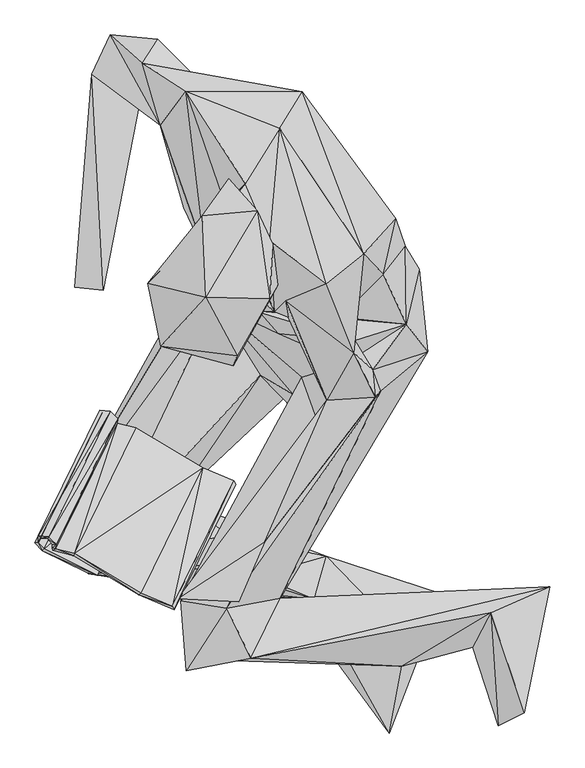
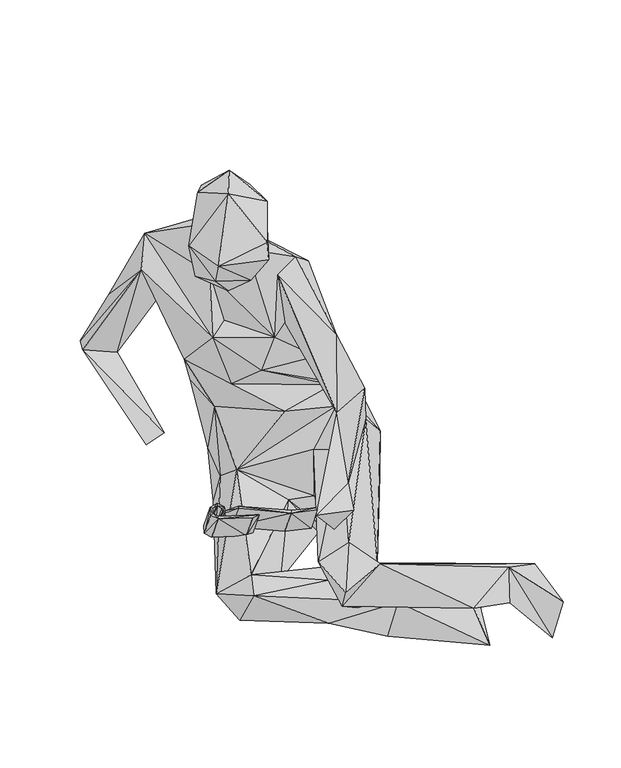
"""IFC4 building model written with IfcOpenShell, lengths in millimetres: geographic element geometry."""

import ifcopenshell
import ifcopenshell.guid

model = None  # the IFC model being written
_history = None  # IfcOwnerHistory: only IFC2X3 demands one
_inside = {}  # id of a spatial element -> (the spatial element, [elements in it])
_under = {}  # id of a project, library or spatial element -> (it, [spatial elements below it])
_declared = {}  # id of a project -> (the project, [libraries it declares])
_typed = {}  # id of a type object -> (the type object, [elements of that type])
_made_of = {}  # id of a material, layer set ... -> (it, [elements and type objects made of it])


def new_model(schema):
    """Start an empty IFC model of exactly this schema.

    Asked for "IFC4X3", IfcOpenShell would pick the latest addendum, in which some entities
    have other attributes; the version numbers below select the first issue.
    IFC2X3 requires an IfcOwnerHistory on every rooted entity: one is made here for all.
    """
    global model, _history
    if schema == "IFC4X3":
        model = ifcopenshell.file(schema_version=(4, 3, 0, 0))
    else:
        model = ifcopenshell.file(schema=schema)
    _inside.clear()
    _under.clear()
    _declared.clear()
    _typed.clear()
    _made_of.clear()
    _history = None
    if model.schema == "IFC2X3":
        org = make("IfcOrganization", Name="unknown")
        user = make(
            "IfcPersonAndOrganization",
            ThePerson=make("IfcPerson", FamilyName="unknown"),
            TheOrganization=org,
        )
        app = make(
            "IfcApplication",
            ApplicationDeveloper=org,
            Version="unknown",
            ApplicationFullName="unknown",
            ApplicationIdentifier="unknown",
        )
        _history = make(
            "IfcOwnerHistory",
            OwningUser=user,
            OwningApplication=app,
            ChangeAction="ADDED",
            CreationDate=0,
        )
    return model


def make(cls, **values):
    """One entity of the class cls with the attributes given. An attribute that is None is left unset."""
    return model.create_entity(
        cls, **{name: value for name, value in values.items() if value is not None}
    )


def rooted(cls, **values):
    """An entity with a GlobalId (a new one), such as an element, a storey or a relation."""
    return make(cls, GlobalId=ifcopenshell.guid.new(), OwnerHistory=_history, **values)


def si_unit(unit_type, name, prefix=None):
    """IfcSIUnit, for example si_unit("LENGTHUNIT", "METRE", prefix="MILLI")."""
    return make("IfcSIUnit", UnitType=unit_type, Prefix=prefix, Name=name)


def assignment(units):
    """IfcUnitAssignment: the units of a project."""
    return None if units is None else make("IfcUnitAssignment", Units=units)


def point(xyz):
    """IfcCartesianPoint."""
    return None if xyz is None else make("IfcCartesianPoint", Coordinates=xyz)


def direction(xyz):
    """IfcDirection."""
    return None if xyz is None else make("IfcDirection", DirectionRatios=xyz)


def frame(location, z_axis=None, x_axis=None):
    """IfcAxis2Placement3D, a coordinate frame: its origin and axes. An axis left out is left unset."""
    return make(
        "IfcAxis2Placement3D",
        Location=point(location),
        Axis=direction(z_axis),
        RefDirection=direction(x_axis),
    )


def origin():
    """The frame at (0, 0, 0) with its axes left unset."""
    return frame((0.0, 0.0, 0.0))


def place(relative_to, where):
    """IfcLocalPlacement: puts the frame where relative to a parent placement (None: the world)."""
    return make(
        "IfcLocalPlacement", PlacementRelTo=relative_to, RelativePlacement=where
    )


def context(
    kind, dimensions, precision=None, world=None, true_north=None, identifier=None
):
    """IfcGeometricRepresentationContext, for example the 3D "Model" context."""
    return make(
        "IfcGeometricRepresentationContext",
        ContextIdentifier=identifier,
        ContextType=kind,
        CoordinateSpaceDimension=dimensions,
        Precision=precision,
        WorldCoordinateSystem=world,
        TrueNorth=true_north,
    )


def project(units=None, contexts=None):
    """IfcProject with its units and contexts."""
    return rooted(
        "IfcProject",
        Name="project",
        RepresentationContexts=contexts,
        UnitsInContext=assignment(units),
    )


def spatial(cls, under=None, at=None, **own):
    """A site, building, storey or space (cls), placed at a placement, below another one or the project."""
    s = rooted(cls, ObjectPlacement=at, **own)
    if under is not None:
        _under.setdefault(under.id(), (under, []))[1].append(s)
    return s


def faces_of(points, faces, orient=None, outer=None):
    """IfcFace entities. A face is a list of loops; a loop is a list of indices into points, from 0.

    orient and outer hold one flag for each loop. By default every Orientation is true, the
    first loop of a face is its IfcFaceOuterBound and the others are IfcFaceBound.
    """
    made = []
    for i, loops in enumerate(faces):
        bounds = []
        for j, loop in enumerate(loops):
            is_outer = j == 0 if outer is None else outer[i][j]
            bounds.append(
                make(
                    "IfcFaceOuterBound" if is_outer else "IfcFaceBound",
                    Bound=make("IfcPolyLoop", Polygon=[points[k] for k in loop]),
                    Orientation=True if orient is None else orient[i][j],
                )
            )
        made.append(make("IfcFace", Bounds=bounds))
    return made


def faceted_brep(points, faces, orient=None, outer=None, voids=None):
    """IfcFacetedBrep: a solid bounded by flat faces; with voids (closed shells), ...WithVoids."""
    shared = [point(p) for p in points]
    hull = make("IfcClosedShell", CfsFaces=faces_of(shared, faces, orient, outer))
    if voids is None:
        return make("IfcFacetedBrep", Outer=hull)
    return make(
        "IfcFacetedBrepWithVoids",
        Outer=hull,
        Voids=[
            make(cls, CfsFaces=faces_of(shared, fs, o, b)) for cls, fs, o, b in voids
        ],
    )


def shape(context_of_items, identifier, shape_type, items):
    """IfcShapeRepresentation: the items that make up one representation, for example the "Body"."""
    return make(
        "IfcShapeRepresentation",
        ContextOfItems=context_of_items,
        RepresentationIdentifier=identifier,
        RepresentationType=shape_type,
        Items=items,
    )


def source(mapping_origin, context_of_items, identifier, shape_type, items):
    """IfcRepresentationMap: a shape defined once, which mapped items show again and again."""
    return make(
        "IfcRepresentationMap",
        MappingOrigin=mapping_origin,
        MappedRepresentation=shape(context_of_items, identifier, shape_type, items),
    )


def transform(
    local_origin,
    x_axis=None,
    y_axis=None,
    z_axis=None,
    scale=None,
    scale2=None,
    scale3=None,
    uniform=True,
):
    """IfcCartesianTransformationOperator3D, or its non-uniform kind. x_axis, y_axis, z_axis: its Axis1, 2, 3."""
    if uniform:
        return make(
            "IfcCartesianTransformationOperator3D",
            Axis1=direction(x_axis),
            Axis2=direction(y_axis),
            LocalOrigin=point(local_origin),
            Scale=scale,
            Axis3=direction(z_axis),
        )
    return make(
        "IfcCartesianTransformationOperator3DnonUniform",
        Axis1=direction(x_axis),
        Axis2=direction(y_axis),
        LocalOrigin=point(local_origin),
        Scale=scale,
        Axis3=direction(z_axis),
        Scale2=scale2,
        Scale3=scale3,
    )


def mapped(mapping_source, mapping_target):
    """IfcMappedItem: shows the shape of a source again, moved by a transform."""
    return make(
        "IfcMappedItem", MappingSource=mapping_source, MappingTarget=mapping_target
    )


def made_of(thing, what):
    """Note that an element or type object is made of a material, layer set ...; save() writes the relation."""
    if what is not None:
        _made_of.setdefault(what.id(), (what, []))[1].append(thing)
    return thing


def element(
    cls,
    number,
    at=None,
    inside=None,
    cuts=None,
    type_object=None,
    material=None,
    context=None,
    identifier="Body",
    shape_type=None,
    held_by="IfcProductDefinitionShape",
    body=None,
    shapes=None,
    **own,
):
    """One element of the class cls, such as IfcWall. Its Tag is "e" and its number.

    at: its placement. inside: the storey or other place that contains it. cuts: it is an
    opening in that element (IfcRelVoidsElement). A single representation is given by context,
    identifier, shape_type and body (its items); several are given by shapes. held_by: the class
    of the entity that holds the representations. save() writes the other relations.
    """
    e = rooted(cls, Tag="e%d" % number, ObjectPlacement=at, **own)
    if body is not None:
        shapes = [shape(context, identifier, shape_type, body)]
    if shapes is not None:
        e.Representation = make(held_by, Representations=shapes)
    if inside is not None:
        _inside.setdefault(inside.id(), (inside, []))[1].append(e)
    if cuts is not None:
        rooted(
            "IfcRelVoidsElement", RelatingBuildingElement=cuts, RelatedOpeningElement=e
        )
    if type_object is not None:
        _typed.setdefault(type_object.id(), (type_object, []))[1].append(e)
    return made_of(e, material)


def aggregate(whole, parts):
    """IfcRelAggregates: a whole, such as a stair, and the parts it consists of."""
    return rooted("IfcRelAggregates", RelatingObject=whole, RelatedObjects=parts)


def save(model, path):
    """Write the relations noted so far, then the file.

    IfcRelAggregates (storeys below a building ...), IfcRelContainedInSpatialStructure (elements
    in a storey), IfcRelDefinesByType, IfcRelAssociatesMaterial and IfcRelDeclares: one each for
    every whole, place, type object, material and project.
    """
    for whole, parts in _under.values():
        aggregate(whole, parts)
    for where, things in _inside.values():
        rooted(
            "IfcRelContainedInSpatialStructure",
            RelatedElements=things,
            RelatingStructure=where,
        )
    for kind, things in _typed.values():
        rooted("IfcRelDefinesByType", RelatedObjects=things, RelatingType=kind)
    for what, things in _made_of.values():
        rooted("IfcRelAssociatesMaterial", RelatedObjects=things, RelatingMaterial=what)
    for by, libraries in _declared.values():
        rooted("IfcRelDeclares", RelatingContext=by, RelatedDefinitions=libraries)
    model.write(path)


def geographic_element_fdb71cc4(model_context):
    return source(origin(), model_context, "Body", "Brep", [
        faceted_brep([(11.8106239, 268.8973811, 648.1245676), (-126.1585786, 452.6573066, 719.0384776), (-80.7651271, 405.1901052, 611.3051101), (-81.1253106, 614.3531127, 784.2878602), (-74.0702292, 516.4188083, 608.8641807), (-66.2135399, 358.0830351, 691.7712603), (-95.1632101, 386.51299, 803.3872743), (-160.7266198, 572.7972317, 887.3779664), (-74.5598292, 441.8790584, 481.1866224), (54.5995564, 569.0790941, 650.6618777), (16.7367345, 453.2000664, 368.8853337), (-78.8960149, 413.0197116, 362.2276142), (-82.4295645, 376.9055856, 450.3588025), (158.3147327, 394.4800745, 397.4828969), (72.0716929, 498.1049238, 494.6315823), (14.6820143, 363.6903718, 299.9900542), (215.9913454, 362.6921132, 579.5633125), (196.1544877, 396.2749492, 647.6299683), (228.360814, 242.8331345, 538.1559067), (201.676545, 280.9668447, 383.7529969), (224.1911711, 237.5990123, 428.7340886), (197.442708, 282.9693819, 639.4180576), (164.1427854, 355.4082767, 754.3098237), (182.4777551, 436.4071732, 726.2892037), (102.4309831, 293.4235894, 743.4803752), (135.4128404, 385.4495239, 920.7491761), (46.1439038, 620.976798, 831.834306), (-123.271136, 622.2028059, 937.3232606), (-186.6343445, 662.6530804, 780.6489371), (13.4239009, 567.8500463, 973.8457679), (81.0600882, 342.1268421, 975.9897469), (121.2214366, 241.4225161, 824.0178126), (-37.0200644, 487.4601602, 1015.7979601), (-1.2701538, 404.0955255, 986.1701009), (6.1280405, 301.3715707, 820.260455), (21.8905878, 316.826131, 965.3389335), (81.7172443, 172.5041398, 679.3115651), (25.9819679, 293.2750844, 857.0899857), (110.4271324, 226.0392131, 653.2382884), (-23.9412949, 302.9266558, 745.7698491), (148.7604957, 216.6715834, 658.0359854), (121.0538804, 259.0150503, 684.1904436), (152.367292, 176.6326257, 714.5056636), (160.0805054, 186.0745228, 625.8958501), (13.9686817, -115.5548975, 493.0524467), (63.230782, 216.5782723, 351.6309218), (-174.3361332, 25.492368, 383.540268), (-69.7541154, 301.9715212, 301.3715707), (-273.0599906, -34.5951352, 396.5618859), (81.2767958, -54.7831573, 344.094302), (-97.8810924, -106.1942788, 371.5410485), (-137.4625398, 28.519265, 414.6730849), (-311.8407986, -2.9907806, 459.1154101), (-265.0467721, -79.6103468, 484.4884217), (-251.8004744, -46.5843448, 512.7016839), (-79.4006651, 312.7728364, 504.266077), (63.5598592, -117.0337335, 374.7686101), (-79.0224289, -72.0395884, 454.5033518), (-14.7853529, 208.7908063, 468.0045189), (-57.8822896, -25.6799792, 453.5382036), (-121.5745792, -204.4837152, 482.4066102), (-66.7553089, -171.4466789, 439.660812), (-18.7623592, -82.8910758, 435.552383), (144.5537341, -119.7486132, 380.4010106), (191.0036481, -214.5416263, 374.2518975), (250.1851885, -109.5522703, 367.2178938), (34.1376397, -124.6396064, 302.7861975), (36.6217638, 155.8346282, 414.6199473), (32.4410904, 181.3540734, 477.3661435), (405.9866915, -98.7198415, 342.5703006), (-29.1623712, -202.5985544, 558.4502747), (-63.7404464, -130.2549674, 581.5418291), (293.8921117, -187.0858199, 335.8683843), (173.027856, -311.763551, 344.5939081), (330.9412856, -300.808724, 302.3317121), (320.1700409, -136.7191059, 386.8792307), (-130.8308526, -119.3432868, 548.6512116), (-122.8928923, -221.3508757, 527.7178222), (45.2429572, 205.9174155, 578.3022571), (71.7907763, 133.2196726, 612.0054646), (-8.6522958, -33.6650941, 656.4558067), (-134.7827746, -116.5973083, 666.7364157), (-76.8673783, -92.2336343, 595.7231448), (-46.2091187, -120.4920396, 651.8095651), (369.1512301, -281.9932068, 368.9194872), (-64.5942456, 451.9108776, 916.8584233), (-52.0472073, 413.3136519, 816.9937629), (-138.3644921, 385.3572261, 977.0793198), (-178.9923586, 342.5843673, 1095.3882797), (-60.1818107, 458.3820644, 1055.4154981), (-150.1650792, 281.3551093, 1031.4471594), (-102.0677897, 308.1708214, 973.0280517), (-56.4084717, 400.2047728, 953.0366541), (-160.0955556, 250.7831423, 1091.332899), (-76.6597008, 259.2146961, 1020.760166), (10.4431518, 339.6698194, 1078.8642035), (-23.760704, 438.3896535, 1060.9787571), (-60.6362961, 494.9405728, 1115.6686407), (-19.4837169, 448.4054093, 1168.2705735), (2.8432984, 399.0951429, 1153.5734988), (-94.3977076, 322.2588559, 1211.5199416), (-99.614768, 440.7945221, 1145.3195669), (-1.0002712, 319.7255989, 1160.7680177), (-48.7714963, 236.9769782, 1122.8420596), (-54.1982458, 222.6902517, 1087.9759654), (-186.2009294, 628.8595718, 650.5846301), (-259.9350778, 646.7038909, 672.6006186), (-233.0471397, 703.8668903, 650.8976141), (-243.5494631, 332.5706083, 643.8726107), (-187.269432, 689.3563781, 608.6574718), (-163.8879607, 697.5812826, 717.7944095), (-285.2328086, 336.745258, 626.2560409)], [[[0, 1, 2]], [[1, 3, 4]], [[0, 5, 1]], [[5, 6, 1]], [[2, 1, 4]], [[6, 7, 1]], [[1, 7, 3]], [[8, 4, 9]], [[4, 3, 9]], [[2, 4, 8]], [[9, 10, 8]], [[8, 10, 11]], [[2, 8, 12]], [[12, 8, 11]], [[13, 10, 14]], [[13, 15, 10]], [[9, 14, 10]], [[15, 11, 10]], [[13, 14, 16]], [[16, 14, 17]], [[17, 14, 9]], [[18, 13, 16]], [[19, 15, 13]], [[13, 18, 20]], [[20, 19, 13]], [[21, 16, 17]], [[16, 21, 18]], [[21, 17, 22]], [[9, 23, 17]], [[23, 22, 17]], [[21, 22, 24]], [[24, 22, 25]], [[22, 23, 25]], [[26, 23, 9]], [[23, 26, 25]], [[26, 9, 3]], [[27, 26, 28]], [[26, 3, 28]], [[26, 29, 25]], [[29, 26, 27]], [[25, 29, 30]], [[25, 30, 31]], [[31, 24, 25]], [[27, 32, 29]], [[29, 33, 30]], [[32, 33, 29]], [[30, 33, 34]], [[31, 30, 35]], [[34, 35, 30]], [[35, 36, 31]], [[37, 35, 34]], [[35, 37, 36]], [[37, 34, 24]], [[38, 37, 24]], [[36, 37, 38]], [[24, 39, 21]], [[40, 38, 24]], [[40, 24, 31]], [[34, 39, 24]], [[41, 21, 39]], [[39, 34, 6]], [[41, 39, 5]], [[5, 39, 6]], [[40, 21, 38]], [[40, 18, 21]], [[38, 21, 41]], [[42, 40, 31]], [[43, 18, 40]], [[43, 40, 42]], [[18, 44, 20]], [[44, 18, 43]], [[44, 19, 20]], [[45, 19, 44]], [[45, 15, 19]], [[15, 45, 46]], [[47, 15, 46]], [[47, 11, 15]], [[48, 47, 46]], [[47, 48, 11]], [[49, 50, 46]], [[51, 49, 46]], [[51, 46, 45]], [[46, 50, 48]], [[48, 52, 11]], [[53, 52, 48]], [[50, 53, 48]], [[52, 12, 11]], [[54, 55, 52]], [[12, 52, 55]], [[52, 53, 54]], [[53, 50, 56]], [[56, 57, 53]], [[57, 54, 53]], [[58, 55, 54]], [[54, 59, 51]], [[51, 58, 54]], [[59, 54, 57]], [[60, 59, 57]], [[61, 60, 57]], [[62, 57, 56]], [[61, 57, 62]], [[44, 63, 61]], [[60, 61, 63]], [[44, 61, 62]], [[63, 64, 60]], [[65, 63, 44]], [[63, 56, 64]], [[49, 56, 63]], [[63, 65, 49]], [[49, 51, 59]], [[50, 49, 66]], [[59, 62, 49]], [[62, 56, 49]], [[65, 66, 49]], [[45, 58, 51]], [[67, 58, 45]], [[67, 68, 58]], [[68, 55, 58]], [[45, 44, 62]], [[67, 45, 62]], [[44, 69, 65]], [[44, 70, 69]], [[43, 71, 44]], [[70, 44, 71]], [[65, 69, 72]], [[66, 65, 73]], [[73, 65, 64]], [[64, 65, 72]], [[74, 72, 69]], [[64, 72, 75]], [[72, 74, 75]], [[75, 70, 64]], [[60, 64, 70]], [[64, 56, 73]], [[73, 56, 66]], [[50, 66, 56]], [[60, 76, 59]], [[70, 77, 60]], [[60, 77, 76]], [[76, 67, 59]], [[62, 59, 67]], [[78, 68, 67]], [[67, 76, 78]], [[68, 78, 55]], [[78, 38, 55]], [[78, 79, 38]], [[76, 79, 78]], [[55, 0, 2]], [[55, 2, 12]], [[0, 55, 38]], [[38, 79, 36]], [[0, 38, 41]], [[41, 5, 0]], [[80, 42, 36]], [[81, 80, 36]], [[81, 36, 82]], [[79, 82, 36]], [[42, 31, 36]], [[43, 42, 80]], [[80, 82, 43]], [[80, 81, 83]], [[80, 83, 82]], [[81, 82, 83]], [[79, 43, 82]], [[71, 43, 79]], [[76, 71, 79]], [[77, 71, 76]], [[70, 71, 77]], [[69, 70, 75]], [[84, 69, 75]], [[74, 84, 75]], [[84, 74, 69]], [[6, 85, 27]], [[6, 27, 7]], [[6, 86, 85]], [[34, 86, 6]], [[32, 27, 85]], [[7, 27, 28]], [[87, 88, 32]], [[33, 32, 89]], [[89, 32, 88]], [[87, 32, 85]], [[90, 88, 87]], [[91, 87, 92]], [[92, 87, 85]], [[90, 87, 91]], [[93, 88, 90]], [[93, 90, 94]], [[90, 91, 94]], [[92, 94, 91]], [[95, 94, 92]], [[95, 92, 33]], [[92, 85, 33]], [[33, 85, 34]], [[34, 85, 86]], [[89, 96, 33]], [[96, 95, 33]], [[97, 98, 96]], [[97, 96, 89]], [[96, 99, 95]], [[98, 99, 96]], [[100, 98, 101]], [[100, 102, 98]], [[97, 101, 98]], [[102, 99, 98]], [[89, 101, 97]], [[88, 101, 89]], [[88, 100, 101]], [[93, 103, 100]], [[102, 100, 103]], [[88, 93, 100]], [[103, 95, 102]], [[99, 102, 95]], [[103, 93, 104]], [[103, 104, 95]], [[93, 94, 104]], [[104, 94, 95]], [[3, 7, 105]], [[7, 106, 105]], [[28, 107, 7]], [[106, 7, 107]], [[106, 108, 105]], [[109, 105, 108]], [[109, 3, 105]], [[109, 110, 3]], [[28, 3, 110]], [[110, 107, 28]], [[109, 111, 107]], [[110, 109, 107]], [[106, 107, 111]], [[106, 111, 108]], [[108, 111, 109]]]),
        faceted_brep([(-176.8312879, 103.7583189, 495.392078), (-331.9024105, -46.607423, 684.6008216), (-242.1819985, 136.0097958, 495.5315529), (-266.5516999, -78.8588887, 684.4603931), (-253.1478672, 147.6879847, 501.6084251), (-342.8682941, -34.9292267, 690.6766806), (-252.2669701, -81.8797638, 688.3219991), (-329.590853, -43.5674818, 688.6340295), (-337.7475101, -35.2382395, 692.8086791), (-239.870441, 139.0497369, 499.5657442), (-162.5465731, 100.7374438, 499.2527006), (-248.027113, 147.3789793, 503.7394104), (-244.807583, 154.241411, 511.8960675), (-248.285976, 158.0629031, 513.9356788), (-334.527995, -28.3747927, 700.9643826), (-338.0064028, -24.5543007, 703.0040535), (-324.2815097, -29.2476487, 704.9844774), (-234.5620812, 153.3695589, 515.915149), (-232.8946413, 156.7626576, 519.9844773), (-322.61404, -25.8535479, 709.0538056), (-222.4595072, 145.3734171, 513.9356788), (-312.1799192, -37.2437979, 703.0040535), (-227.6093485, 145.7927805, 511.8960675), (-317.3297604, -36.8244271, 700.9643826), (-222.9390862, 139.2333341, 507.7765521), (-312.6594982, -43.3838809, 696.8448672), (-317.9076573, -41.9070492, 695.7814011), (-228.1872453, 140.7101584, 506.7130861), (-285.5488325, -50.3225693, 703.0090603), (-195.8284205, 132.2946383, 513.9397319), (-226.8970134, 136.9458569, 503.6892233), (-316.6174253, -45.670356, 692.7585516), (-286.5079606, -53.5190248, 699.4664583), (-196.7875635, 129.0981903, 510.3971299), (-98.758972, 74.434421, 504.1176018), (-101.715638, 71.7396057, 500.1115141), (-191.43605, -110.8766035, 689.1808425), (-143.3146876, -127.4186953, 696.0382376), (-188.4793914, -108.1817807, 693.1869302), (-140.4523236, -132.2213991, 692.7585516), (-50.7319079, 50.3958085, 503.6892233), (-53.5942682, 55.198516, 506.9699225)], [[[0, 1, 2]], [[1, 0, 3]], [[4, 1, 5]], [[1, 4, 2]], [[1, 6, 7]], [[6, 1, 3]], [[1, 8, 5]], [[8, 1, 7]], [[9, 0, 2]], [[4, 9, 2]], [[7, 10, 9]], [[8, 9, 11]], [[9, 8, 7]], [[0, 9, 10]], [[9, 4, 11]], [[10, 7, 6]], [[0, 6, 3]], [[6, 0, 10]], [[12, 8, 11]], [[11, 13, 12]], [[13, 11, 4]], [[8, 12, 14]], [[15, 8, 14]], [[8, 15, 5]], [[16, 12, 17]], [[12, 16, 14]], [[12, 18, 17]], [[18, 12, 13]], [[4, 15, 13]], [[15, 18, 13]], [[15, 4, 5]], [[18, 15, 19]], [[14, 19, 15]], [[19, 14, 16]], [[19, 20, 18]], [[20, 19, 21]], [[16, 21, 19]], [[20, 17, 18]], [[22, 16, 17]], [[17, 20, 22]], [[16, 22, 23]], [[21, 16, 23]], [[21, 24, 20]], [[24, 21, 25]], [[26, 21, 23]], [[21, 26, 25]], [[24, 22, 20]], [[26, 22, 27]], [[22, 26, 23]], [[22, 24, 27]], [[28, 24, 25]], [[24, 28, 29]], [[29, 30, 24]], [[24, 30, 27]], [[26, 31, 25]], [[32, 25, 31]], [[25, 32, 28]], [[30, 26, 27]], [[26, 30, 31]], [[33, 31, 30]], [[30, 29, 33]], [[28, 34, 29]], [[29, 35, 33]], [[35, 29, 34]], [[31, 33, 32]], [[36, 33, 35]], [[33, 36, 32]], [[36, 28, 32]], [[36, 37, 38]], [[37, 36, 39]], [[28, 36, 38]], [[36, 40, 39]], [[40, 36, 35]], [[35, 41, 40]], [[41, 35, 34]], [[41, 39, 40]], [[39, 41, 37]], [[37, 34, 38]], [[34, 37, 41]], [[34, 28, 38]]]),
    ])


if __name__ == "__main__":
    model = new_model("IFC4")
    model_context = context("Model", 3, world=origin())
    ifc_project = project(units=[si_unit("LENGTHUNIT", "METRE", prefix="MILLI")], contexts=[model_context])
    site = spatial("IfcSite", under=ifc_project)
    building = spatial("IfcBuilding", under=site)
    placement = place(None, origin())
    geographic_element_shape = geographic_element_fdb71cc4(model_context)
    element("IfcGeographicElement", 1, at=placement, inside=building, context=model_context, shape_type="MappedRepresentation", body=[
        mapped(geographic_element_shape, transform((0.0, 0.0, 0.0), x_axis=(1.0, 0.0, 0.0), y_axis=(0.0, 1.0, 0.0), z_axis=(0.0, 0.0, 1.0))),
    ])
    save(model, "model.ifc")
